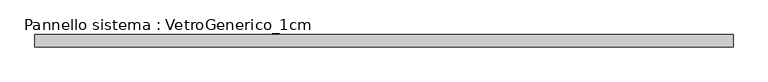
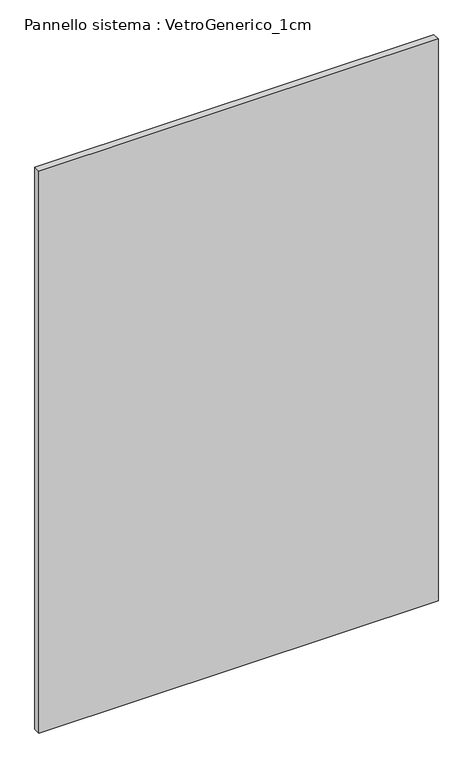
"""IFC4 building model written with IfcOpenShell, lengths in millimetres: plate geometry, Pannello sistema : VetroGenerico_1cm."""

from ifc_helpers import new_model, si_unit, origin, origin_with_axes, place, context, project, spatial, polyline, outline, extrude, source, transform, mapped, element, save


def pannello_sistema_vetrogenerico_1cm_880bb2a6(model_context):
    return source(origin(), model_context, "Body", "SweptSolid", [
        extrude(outline(polyline([(708.6465804, -12.5), (-708.6465804, -12.5), (-708.6465804, 12.5), (708.6465804, 12.5), (708.6465804, -12.5)])), origin_with_axes(), (0.0, 0.0, 1.0), 2110.0),
    ])


if __name__ == "__main__":
    model = new_model("IFC4")
    model_context = context("Model", 3, world=origin())
    ifc_project = project(units=[si_unit("LENGTHUNIT", "METRE", prefix="MILLI")], contexts=[model_context])
    site = spatial("IfcSite", under=ifc_project)
    building = spatial("IfcBuilding", under=site)
    placement = place(None, origin())
    pannello_sistema_vetrogenerico_1cm_shape = pannello_sistema_vetrogenerico_1cm_880bb2a6(model_context)
    element("IfcPlate", 1, ObjectType="Pannello sistema : VetroGenerico_1cm", at=placement, inside=building, context=model_context, shape_type="MappedRepresentation", body=[
        mapped(pannello_sistema_vetrogenerico_1cm_shape, transform((0.0, 0.0, 0.0), x_axis=(1.0, 0.0, 0.0), y_axis=(0.0, 1.0, 0.0), z_axis=(0.0, 0.0, 1.0))),
    ])
    save(model, "model.ifc")
